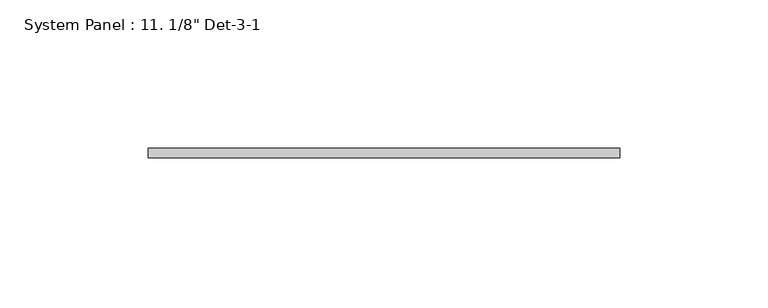
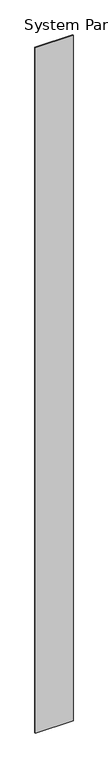
"""IFC4 building model written with IfcOpenShell, lengths in millimetres: plate geometry."""

from ifc_helpers import new_model, si_unit, origin, origin_with_axes, place, context, project, spatial, polyline, outline, extrude, source, transform, mapped, element, save


def plate_05c0298d(model_context):
    return source(origin(), model_context, "Body", "SweptSolid", [
        extrude(outline(polyline([(79.375, -3.175), (-79.375, -3.175), (-79.375, 0.0), (79.375, 0.0), (79.375, -3.175)])), origin_with_axes(), (0.0, 0.0, 1.0), 3048.0),
    ])


if __name__ == "__main__":
    model = new_model("IFC4")
    model_context = context("Model", 3, world=origin())
    ifc_project = project(units=[si_unit("LENGTHUNIT", "METRE", prefix="MILLI")], contexts=[model_context])
    site = spatial("IfcSite", under=ifc_project)
    building = spatial("IfcBuilding", under=site)
    placement = place(None, origin())
    plate_shape = plate_05c0298d(model_context)
    element("IfcPlate", 1, ObjectType="System Panel : 11. 1/8\" Det-3-1", at=placement, inside=building, context=model_context, shape_type="MappedRepresentation", body=[
        mapped(plate_shape, transform((0.0, 0.0, 0.0), x_axis=(1.0, 0.0, 0.0), y_axis=(0.0, 1.0, 0.0), z_axis=(0.0, 0.0, 1.0))),
    ])
    save(model, "model.ifc")
